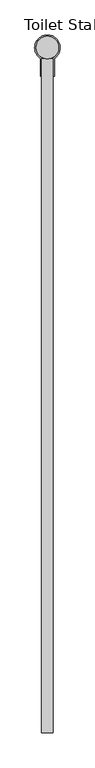
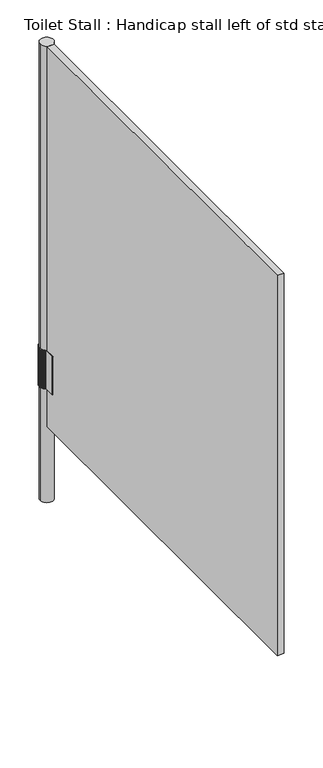
"""IFC4 building model written with IfcOpenShell, lengths in millimetres: proxy geometry, Toilet Stall : Handicap stall left of std stall."""

from ifc_helpers import new_model, si_unit, point, frame, frame_2d, origin, origin_with_axes, place, context, project, spatial, polyline, circle_curve, trimmed, segment, composite_curve, outline, extrude, faceted_brep, source, transform, mapped, element, save


def toilet_stall_handicap_stall_left_of_std_stall_4abaf014(model_context):
    return source(origin(), model_context, "Body", "SolidModel", [
        faceted_brep([(-472.4935542, 1214.4375, 457.2), (-469.3185542, 1214.4375, 457.2), (-469.3185542, 1214.4375, 609.6), (-472.4935542, 1214.4375, 609.6), (-472.4935542, 1254.1616628, 457.2), (-472.7133342, 1254.2988139, 457.2), (-474.6489463, 1255.7398788, 457.2), (-476.456175, 1257.3389993, 457.2), (-478.1221521, 1259.0847892, 457.2), (-479.6350153, 1260.9648176, 457.2), (-480.9839924, 1262.9656982, 457.2), (-482.1594781, 1265.0731837, 457.2), (-483.1531026, 1267.2722682, 457.2), (-483.9577908, 1269.5472932, 457.2), (-484.5678131, 1271.8820597, 457.2), (-484.9788258, 1274.2599434, 457.2), (-485.1879024, 1276.6640126, 457.2), (-485.1935542, 1279.1157997, 457.2), (-484.9821221, 1281.6017913, 457.2), (-484.5548262, 1284.0598954, 457.2), (-483.9149183, 1286.4714043, 457.2), (-483.0672686, 1288.8179651, 457.2), (-482.0183283, 1291.081719, 457.2), (-480.7760803, 1293.2454375, 457.2), (-479.3499789, 1295.2926533, 457.2), (-477.7508777, 1297.2077859, 457.2), (-475.9909468, 1298.97626, 457.2), (-474.0835802, 1300.5846164, 457.2), (-472.0432943, 1302.0206146, 457.2), (-469.8856167, 1303.2733258, 457.2), (-467.6269689, 1304.333216, 457.2), (-465.2845403, 1305.1922189, 457.2), (-462.8761583, 1305.8437969, 457.2), (-460.4201522, 1306.2829911, 457.2), (-457.9352137, 1306.5064591, 457.2), (-455.4402545, 1306.5125, 457.2), (-452.954263, 1306.3010679, 457.2), (-450.4961589, 1305.8737719, 457.2), (-448.0846499, 1305.2338641, 457.2), (-445.7380891, 1304.3862144, 457.2), (-443.4743352, 1303.337274, 457.2), (-441.3106167, 1302.0950261, 457.2), (-439.2634009, 1300.6689247, 457.2), (-437.3482683, 1299.0698235, 457.2), (-435.5797942, 1297.3098926, 457.2), (-433.9714378, 1295.402526, 457.2), (-432.5354396, 1293.3622401, 457.2), (-431.2827285, 1291.2045625, 457.2), (-430.2228382, 1288.9459146, 457.2), (-429.3638353, 1286.6034861, 457.2), (-428.7122573, 1284.1951041, 457.2), (-428.2730631, 1281.739098, 457.2), (-428.0495951, 1279.2541594, 457.2), (-428.0435542, 1276.7978504, 457.2), (-428.2413675, 1274.3928282, 457.2), (-428.6412373, 1272.0130454, 457.2), (-429.2403164, 1269.675447, 457.2), (-430.0343392, 1267.3966776, 457.2), (-431.0176519, 1265.192963, 457.2), (-432.1832529, 1263.0799944, 457.2), (-433.5228427, 1261.0728169, 457.2), (-435.0268829, 1259.1857226, 457.2), (-436.6846642, 1257.4321482, 457.2), (-438.4843824, 1255.8245798, 457.2), (-440.4132231, 1254.3744639, 457.2), (-440.7435542, 1254.1616628, 457.2), (-440.7435542, 1214.4375, 457.2), (-443.9185542, 1214.4375, 457.2), (-443.9185542, 1255.922836, 457.2), (-442.3186055, 1256.9212643, 457.2), (-440.5976951, 1258.2016755, 457.2), (-438.9908594, 1259.6226134, 457.2), (-437.5095397, 1261.1739604, 457.2), (-436.1642836, 1262.8446702, 457.2), (-434.9646698, 1264.6228469, 457.2), (-433.9192401, 1266.495829, 457.2), (-433.0354383, 1268.4502803, 457.2), (-432.3195573, 1270.4722842, 457.2), (-431.7766947, 1272.5474434, 457.2), (-431.4107157, 1274.6609819, 457.2), (-431.2242262, 1276.7978504, 457.2), (-431.2185542, 1278.9769114, 457.2), (-431.4057996, 1281.186712, 457.2), (-431.7849292, 1283.3717842, 457.2), (-432.3530577, 1285.5154981, 457.2), (-433.1058613, 1287.6015389, 457.2), (-434.0376107, 1289.6140305, 457.2), (-435.1412147, 1291.5376567, 457.2), (-436.4082742, 1293.3577775, 457.2), (-437.8291462, 1295.0605406, 457.2), (-439.3930169, 1296.6329871, 457.2), (-441.0879843, 1298.0631497, 457.2), (-442.9011487, 1299.3401438, 457.2), (-444.8187109, 1300.454251, 457.2), (-446.8260771, 1301.396992, 457.2), (-448.9079698, 1302.1611922, 457.2), (-451.0485448, 1302.7410355, 457.2), (-453.231511, 1303.1321088, 457.2), (-455.4402545, 1303.331436, 457.2), (-457.6579657, 1303.3375, 457.2), (-459.8677663, 1303.1502547, 457.2), (-462.0528384, 1302.771125, 457.2), (-464.1965523, 1302.2029965, 457.2), (-466.2825931, 1301.4501929, 457.2), (-468.2950848, 1300.5184435, 457.2), (-470.2187109, 1299.4148395, 457.2), (-472.0388317, 1298.14778, 457.2), (-473.7415949, 1296.7269081, 457.2), (-475.3140413, 1295.1630374, 457.2), (-476.7442039, 1293.4680699, 457.2), (-478.0211981, 1291.6549055, 457.2), (-479.1353052, 1289.7373433, 457.2), (-480.0780463, 1287.7299772, 457.2), (-480.8422464, 1285.6480844, 457.2), (-481.4220897, 1283.5075094, 457.2), (-481.813163, 1281.3245433, 457.2), (-482.0124902, 1279.1157997, 457.2), (-482.0185542, 1276.9321663, 457.2), (-481.8433684, 1274.7943414, 457.2), (-481.4885721, 1272.678897, 457.2), (-480.9566917, 1270.6008959, 457.2), (-480.2515143, 1268.5751342, 457.2), (-479.3780611, 1266.6160362, 457.2), (-478.3425514, 1264.7375515, 457.2), (-477.1523585, 1262.9530554, 457.2), (-475.8159569, 1261.2752544, 457.2), (-474.3428623, 1259.7160951, 457.2), (-472.7435638, 1258.2866791, 457.2), (-471.0294491, 1256.9971847, 457.2), (-469.3185542, 1255.922836, 457.2), (-469.3185542, 1255.922836, 609.6), (-471.0324519, 1256.9923728, 609.6), (-472.7469617, 1258.2821375, 609.6), (-474.3466309, 1259.711856, 609.6), (-475.8200694, 1261.2713482, 609.6), (-477.1567857, 1262.9495098, 609.6), (-478.3472618, 1264.7343918, 609.6), (-479.3830211, 1266.6132849, 609.6), (-480.2566886, 1268.5728109, 609.6), (-480.9620435, 1270.599017, 609.6), (-481.4940632, 1272.677476, 609.6), (-481.8489598, 1274.7933884, 609.6), (-482.024206, 1276.9316881, 609.6), (-482.0185542, 1279.1157997, 609.6), (-481.819204, 1281.3250718, 609.6), (-481.4280615, 1283.5085624, 609.6), (-480.8481038, 1285.6496539, 609.6), (-480.0837446, 1287.7320512, 609.6), (-479.140801, 1289.739906, 609.6), (-478.0264496, 1291.6579375, 609.6), (-476.7491712, 1293.4715481, 609.6), (-475.3186866, 1295.1669352, 609.6), (-473.7458828, 1296.7311959, 609.6), (-472.0427296, 1298.1524253, 609.6), (-470.2221891, 1299.4198069, 609.6), (-468.2981167, 1300.5236951, 609.6), (-466.2851559, 1301.4556888, 609.6), (-464.1986263, 1302.2086948, 609.6), (-462.0544079, 1302.7769824, 609.6), (-459.8688193, 1303.1562265, 609.6), (-457.6584942, 1303.3435409, 609.6), (-455.4402545, 1303.3375, 609.6), (-453.2309824, 1303.1381497, 609.6), (-451.0474918, 1302.7470073, 609.6), (-448.9064004, 1302.1670496, 609.6), (-446.824003, 1301.4026903, 609.6), (-444.8161482, 1300.4597468, 609.6), (-442.8981167, 1299.3453954, 609.6), (-441.0845061, 1298.068117, 609.6), (-439.389119, 1296.6376324, 609.6), (-437.8248583, 1295.0648285, 609.6), (-436.4036289, 1293.3616754, 609.6), (-435.1362474, 1291.5411349, 609.6), (-434.0323591, 1289.6170625, 609.6), (-433.1003655, 1287.6041017, 609.6), (-432.3473594, 1285.5175721, 609.6), (-431.7790718, 1283.3733536, 609.6), (-431.3998277, 1281.187765, 609.6), (-431.2125133, 1278.97744, 609.6), (-431.2185542, 1276.7978504, 609.6), (-431.4050639, 1274.6605037, 609.6), (-431.7711033, 1272.5464904, 609.6), (-432.3140662, 1270.4708633, 609.6), (-433.0300865, 1268.4484014, 609.6), (-433.9140658, 1266.4935057, 609.6), (-434.9597098, 1264.6200956, 609.6), (-436.1595732, 1262.8415105, 609.6), (-437.5051125, 1261.1704148, 609.6), (-438.9867468, 1259.6187072, 609.6), (-440.5939265, 1258.1974365, 609.6), (-442.3152077, 1256.9167227, 609.6), (-443.9185542, 1255.922836, 609.6), (-443.9185542, 1214.4375, 609.6), (-440.7435542, 1214.4375, 609.6), (-440.7435542, 1254.1616628, 609.6), (-440.4098252, 1254.3699223, 609.6), (-438.4806138, 1255.8203408, 609.6), (-436.6805516, 1257.428242, 609.6), (-435.0224556, 1259.182177, 609.6), (-433.5181323, 1261.0696572, 609.6), (-432.1782928, 1263.077243, 609.6), (-431.0124775, 1265.1906396, 609.6), (-430.0289874, 1267.3947987, 609.6), (-429.2348253, 1269.674026, 609.6), (-428.6356459, 1272.0120924, 609.6), (-428.2357157, 1274.39235, 609.6), (-428.0378822, 1276.7978504, 609.6), (-428.0435542, 1279.254688, 609.6), (-428.2670912, 1281.740151, 609.6), (-428.7064, 1284.1966736, 609.6), (-429.3581371, 1286.6055601, 609.6), (-430.2173424, 1288.9484774, 609.6), (-431.2774769, 1291.2075945, 609.6), (-432.5304723, 1293.3657182, 609.6), (-433.9667925, 1295.4064239, 609.6), (-435.5755063, 1297.3141805, 609.6), (-437.3443705, 1299.0744688, 609.6), (-439.2599228, 1300.6738921, 609.6), (-441.3075848, 1302.1002776, 609.6), (-443.4717724, 1303.3427699, 609.6), (-445.7360151, 1304.3919127, 609.6), (-448.0830804, 1305.2397215, 609.6), (-450.4951059, 1305.8797438, 609.6), (-452.9537344, 1306.3071088, 609.6), (-455.4402545, 1306.518564, 609.6), (-457.9357422, 1306.5125, 609.6), (-460.4212052, 1306.288963, 609.6), (-462.8777278, 1305.8496543, 609.6), (-465.2866143, 1305.1979172, 609.6), (-467.6295316, 1304.3387118, 609.6), (-469.8886487, 1303.2785773, 609.6), (-472.0467724, 1302.0255819, 609.6), (-474.0874781, 1300.5892617, 609.6), (-475.9952347, 1298.9805479, 609.6), (-477.755523, 1297.2116837, 609.6), (-479.3549463, 1295.2961314, 609.6), (-480.7813319, 1293.2484695, 609.6), (-482.0238241, 1291.0842818, 609.6), (-483.0729669, 1288.8200391, 609.6), (-483.9207757, 1286.4729738, 609.6), (-484.560798, 1284.0609484, 609.6), (-484.988163, 1281.6023198, 609.6), (-485.1996182, 1279.1157997, 609.6), (-485.1935542, 1276.6635344, 609.6), (-484.9844172, 1274.2589904, 609.6), (-484.5733042, 1271.8806388, 609.6), (-483.9631426, 1269.5454143, 609.6), (-483.1582769, 1267.2699448, 609.6), (-482.1644381, 1265.0704324, 609.6), (-480.9887028, 1262.9625385, 609.6), (-479.6394425, 1260.9612721, 609.6), (-478.1262647, 1259.080883, 609.6), (-476.4599436, 1257.3347603, 609.6), (-474.6523441, 1255.7353371, 609.6), (-472.7163371, 1254.2940019, 609.6), (-472.4935542, 1254.1616628, 609.6)], [[[0, 1, 2, 3]], [[1, 0, 4, 5, 6, 7, 8, 9, 10, 11, 12, 13, 14, 15, 16, 17, 18, 19, 20, 21, 22, 23, 24, 25, 26, 27, 28, 29, 30, 31, 32, 33, 34, 35, 36, 37, 38, 39, 40, 41, 42, 43, 44, 45, 46, 47, 48, 49, 50, 51, 52, 53, 54, 55, 56, 57, 58, 59, 60, 61, 62, 63, 64, 65, 66, 67, 68, 69, 70, 71, 72, 73, 74, 75, 76, 77, 78, 79, 80, 81, 82, 83, 84, 85, 86, 87, 88, 89, 90, 91, 92, 93, 94, 95, 96, 97, 98, 99, 100, 101, 102, 103, 104, 105, 106, 107, 108, 109, 110, 111, 112, 113, 114, 115, 116, 117, 118, 119, 120, 121, 122, 123, 124, 125, 126, 127, 128, 129]], [[2, 1, 129, 130]], [[3, 2, 130, 131, 132, 133, 134, 135, 136, 137, 138, 139, 140, 141, 142, 143, 144, 145, 146, 147, 148, 149, 150, 151, 152, 153, 154, 155, 156, 157, 158, 159, 160, 161, 162, 163, 164, 165, 166, 167, 168, 169, 170, 171, 172, 173, 174, 175, 176, 177, 178, 179, 180, 181, 182, 183, 184, 185, 186, 187, 188, 189, 190, 191, 192, 193, 194, 195, 196, 197, 198, 199, 200, 201, 202, 203, 204, 205, 206, 207, 208, 209, 210, 211, 212, 213, 214, 215, 216, 217, 218, 219, 220, 221, 222, 223, 224, 225, 226, 227, 228, 229, 230, 231, 232, 233, 234, 235, 236, 237, 238, 239, 240, 241, 242, 243, 244, 245, 246, 247, 248, 249, 250, 251, 252, 253, 254, 255]], [[0, 3, 255, 4]], [[130, 129, 128, 131]], [[4, 255, 254, 5]], [[131, 128, 127, 132]], [[5, 254, 253, 6]], [[132, 127, 126, 133]], [[6, 253, 252, 7]], [[133, 126, 125, 134]], [[7, 252, 251, 8]], [[134, 125, 124, 135]], [[8, 251, 250, 9]], [[135, 124, 123, 136]], [[9, 250, 249, 10]], [[136, 123, 122, 137]], [[10, 249, 248, 11]], [[137, 122, 121, 138]], [[11, 248, 247, 12]], [[138, 121, 120, 139]], [[12, 247, 246, 13]], [[139, 120, 119, 140]], [[13, 246, 245, 14]], [[140, 119, 118, 141]], [[14, 245, 244, 15]], [[141, 118, 117, 142]], [[15, 244, 243, 16]], [[143, 142, 117, 116]], [[17, 16, 243, 242]], [[143, 116, 115, 144]], [[17, 242, 241, 18]], [[144, 115, 114, 145]], [[18, 241, 240, 19]], [[145, 114, 113, 146]], [[19, 240, 239, 20]], [[146, 113, 112, 147]], [[20, 239, 238, 21]], [[147, 112, 111, 148]], [[21, 238, 237, 22]], [[148, 111, 110, 149]], [[22, 237, 236, 23]], [[149, 110, 109, 150]], [[23, 236, 235, 24]], [[150, 109, 108, 151]], [[24, 235, 234, 25]], [[151, 108, 107, 152]], [[25, 234, 233, 26]], [[152, 107, 106, 153]], [[26, 233, 232, 27]], [[153, 106, 105, 154]], [[27, 232, 231, 28]], [[154, 105, 104, 155]], [[28, 231, 230, 29]], [[155, 104, 103, 156]], [[29, 230, 229, 30]], [[156, 103, 102, 157]], [[30, 229, 228, 31]], [[157, 102, 101, 158]], [[31, 228, 227, 32]], [[158, 101, 100, 159]], [[32, 227, 226, 33]], [[159, 100, 99, 160]], [[33, 226, 225, 34]], [[160, 99, 98, 161]], [[34, 225, 224, 35]], [[161, 98, 97, 162]], [[35, 224, 223, 36]], [[162, 97, 96, 163]], [[36, 223, 222, 37]], [[163, 96, 95, 164]], [[37, 222, 221, 38]], [[164, 95, 94, 165]], [[38, 221, 220, 39]], [[165, 94, 93, 166]], [[39, 220, 219, 40]], [[166, 93, 92, 167]], [[40, 219, 218, 41]], [[167, 92, 91, 168]], [[41, 218, 217, 42]], [[168, 91, 90, 169]], [[42, 217, 216, 43]], [[169, 90, 89, 170]], [[43, 216, 215, 44]], [[170, 89, 88, 171]], [[44, 215, 214, 45]], [[171, 88, 87, 172]], [[45, 214, 213, 46]], [[172, 87, 86, 173]], [[46, 213, 212, 47]], [[173, 86, 85, 174]], [[47, 212, 211, 48]], [[174, 85, 84, 175]], [[48, 211, 210, 49]], [[175, 84, 83, 176]], [[49, 210, 209, 50]], [[176, 83, 82, 177]], [[50, 209, 208, 51]], [[177, 82, 81, 178]], [[51, 208, 207, 52]], [[179, 178, 81, 80]], [[53, 52, 207, 206]], [[179, 80, 79, 180]], [[53, 206, 205, 54]], [[180, 79, 78, 181]], [[54, 205, 204, 55]], [[181, 78, 77, 182]], [[55, 204, 203, 56]], [[182, 77, 76, 183]], [[56, 203, 202, 57]], [[183, 76, 75, 184]], [[57, 202, 201, 58]], [[184, 75, 74, 185]], [[58, 201, 200, 59]], [[185, 74, 73, 186]], [[59, 200, 199, 60]], [[186, 73, 72, 187]], [[60, 199, 198, 61]], [[187, 72, 71, 188]], [[61, 198, 197, 62]], [[188, 71, 70, 189]], [[62, 197, 196, 63]], [[189, 70, 69, 190]], [[63, 196, 195, 64]], [[190, 69, 68, 191]], [[64, 195, 194, 65]], [[66, 193, 192, 67]], [[191, 68, 67, 192]], [[65, 194, 193, 66]]]),
        extrude(outline(composite_curve([segment(trimmed(circle_curve(frame_2d((-456.6185542, 1277.9375)), 25.4), [point((-482.0185542, 1277.9375))], [point((-431.2185542, 1277.9375))], False, "CARTESIAN"), True, "CONTINUOUS"), segment(trimmed(circle_curve(frame_2d((-456.6185542, 1277.9375)), 25.4), [point((-431.2185542, 1277.9375))], [point((-482.0185542, 1277.9375))], False, "CARTESIAN"), True, "CONTINUOUS")], self_intersect=False)), origin_with_axes(), (0.0, 0.0, 1.0), 1828.8),
        extrude(outline(polyline([(-443.9185542, -258.7625), (-469.3185542, -258.7625), (-469.3185542, 1252.5375), (-443.9185542, 1252.5375), (-443.9185542, -258.7625)])), frame((0.0, 0.0, 304.8), z_axis=(0.0, 0.0, 1.0), x_axis=(1.0, 0.0, 0.0)), (0.0, 0.0, 1.0), 1524.0),
    ])


if __name__ == "__main__":
    model = new_model("IFC4")
    model_context = context("Model", 3, world=origin())
    ifc_project = project(units=[si_unit("LENGTHUNIT", "METRE", prefix="MILLI")], contexts=[model_context])
    site = spatial("IfcSite", under=ifc_project)
    building = spatial("IfcBuilding", under=site)
    placement = place(None, origin())
    toilet_stall_handicap_stall_left_of_std_stall_shape = toilet_stall_handicap_stall_left_of_std_stall_4abaf014(model_context)
    element("IfcBuildingElementProxy", 1, Name="Toilet Stall : Handicap stall left of std stall", ObjectType="Toilet Stall : Handicap stall left of std stall", at=placement, inside=building, context=model_context, shape_type="MappedRepresentation", body=[
        mapped(toilet_stall_handicap_stall_left_of_std_stall_shape, transform((0.0, 0.0, 0.0), x_axis=(1.0, 0.0, 0.0), y_axis=(0.0, 1.0, 0.0), z_axis=(0.0, 0.0, 1.0))),
    ])
    save(model, "model.ifc")
